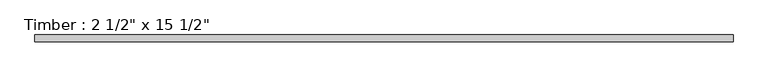
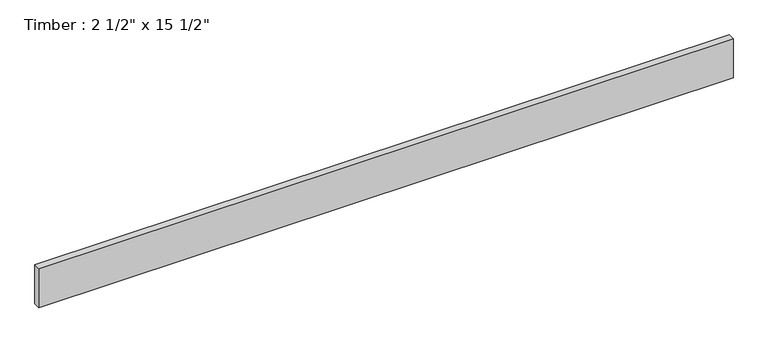
"""IFC4 building model written with IfcOpenShell, lengths in millimetres: beam geometry."""

import ifcopenshell
import ifcopenshell.guid

model = None  # the IFC model being written
_history = None  # IfcOwnerHistory: only IFC2X3 demands one
_inside = {}  # id of a spatial element -> (the spatial element, [elements in it])
_under = {}  # id of a project, library or spatial element -> (it, [spatial elements below it])
_declared = {}  # id of a project -> (the project, [libraries it declares])
_typed = {}  # id of a type object -> (the type object, [elements of that type])
_made_of = {}  # id of a material, layer set ... -> (it, [elements and type objects made of it])


def new_model(schema):
    """Start an empty IFC model of exactly this schema.

    Asked for "IFC4X3", IfcOpenShell would pick the latest addendum, in which some entities
    have other attributes; the version numbers below select the first issue.
    IFC2X3 requires an IfcOwnerHistory on every rooted entity: one is made here for all.
    """
    global model, _history
    if schema == "IFC4X3":
        model = ifcopenshell.file(schema_version=(4, 3, 0, 0))
    else:
        model = ifcopenshell.file(schema=schema)
    _inside.clear()
    _under.clear()
    _declared.clear()
    _typed.clear()
    _made_of.clear()
    _history = None
    if model.schema == "IFC2X3":
        org = make("IfcOrganization", Name="unknown")
        user = make(
            "IfcPersonAndOrganization",
            ThePerson=make("IfcPerson", FamilyName="unknown"),
            TheOrganization=org,
        )
        app = make(
            "IfcApplication",
            ApplicationDeveloper=org,
            Version="unknown",
            ApplicationFullName="unknown",
            ApplicationIdentifier="unknown",
        )
        _history = make(
            "IfcOwnerHistory",
            OwningUser=user,
            OwningApplication=app,
            ChangeAction="ADDED",
            CreationDate=0,
        )
    return model


def make(cls, **values):
    """One entity of the class cls with the attributes given. An attribute that is None is left unset."""
    return model.create_entity(
        cls, **{name: value for name, value in values.items() if value is not None}
    )


def rooted(cls, **values):
    """An entity with a GlobalId (a new one), such as an element, a storey or a relation."""
    return make(cls, GlobalId=ifcopenshell.guid.new(), OwnerHistory=_history, **values)


def si_unit(unit_type, name, prefix=None):
    """IfcSIUnit, for example si_unit("LENGTHUNIT", "METRE", prefix="MILLI")."""
    return make("IfcSIUnit", UnitType=unit_type, Prefix=prefix, Name=name)


def assignment(units):
    """IfcUnitAssignment: the units of a project."""
    return None if units is None else make("IfcUnitAssignment", Units=units)


def point(xyz):
    """IfcCartesianPoint."""
    return None if xyz is None else make("IfcCartesianPoint", Coordinates=xyz)


def direction(xyz):
    """IfcDirection."""
    return None if xyz is None else make("IfcDirection", DirectionRatios=xyz)


def frame(location, z_axis=None, x_axis=None):
    """IfcAxis2Placement3D, a coordinate frame: its origin and axes. An axis left out is left unset."""
    return make(
        "IfcAxis2Placement3D",
        Location=point(location),
        Axis=direction(z_axis),
        RefDirection=direction(x_axis),
    )


def origin():
    """The frame at (0, 0, 0) with its axes left unset."""
    return frame((0.0, 0.0, 0.0))


def place(relative_to, where):
    """IfcLocalPlacement: puts the frame where relative to a parent placement (None: the world)."""
    return make(
        "IfcLocalPlacement", PlacementRelTo=relative_to, RelativePlacement=where
    )


def context(
    kind, dimensions, precision=None, world=None, true_north=None, identifier=None
):
    """IfcGeometricRepresentationContext, for example the 3D "Model" context."""
    return make(
        "IfcGeometricRepresentationContext",
        ContextIdentifier=identifier,
        ContextType=kind,
        CoordinateSpaceDimension=dimensions,
        Precision=precision,
        WorldCoordinateSystem=world,
        TrueNorth=true_north,
    )


def project(units=None, contexts=None):
    """IfcProject with its units and contexts."""
    return rooted(
        "IfcProject",
        Name="project",
        RepresentationContexts=contexts,
        UnitsInContext=assignment(units),
    )


def spatial(cls, under=None, at=None, **own):
    """A site, building, storey or space (cls), placed at a placement, below another one or the project."""
    s = rooted(cls, ObjectPlacement=at, **own)
    if under is not None:
        _under.setdefault(under.id(), (under, []))[1].append(s)
    return s


def polyline(points):
    """IfcPolyline through the points."""
    return make("IfcPolyline", Points=[point(p) for p in points])


def outline(outer, holes=None, kind="AREA"):
    """IfcArbitraryClosedProfileDef: a profile drawn as a closed curve; with holes, ...WithVoids."""
    if holes is None:
        return make("IfcArbitraryClosedProfileDef", ProfileType=kind, OuterCurve=outer)
    return make(
        "IfcArbitraryProfileDefWithVoids",
        ProfileType=kind,
        OuterCurve=outer,
        InnerCurves=holes,
    )


def extrude(swept, where, along, depth):
    """IfcExtrudedAreaSolid: the profile swept, set in the frame where, extruded along a direction by depth."""
    return make(
        "IfcExtrudedAreaSolid",
        SweptArea=swept,
        Position=where,
        ExtrudedDirection=direction(along),
        Depth=depth,
    )


def shape(context_of_items, identifier, shape_type, items):
    """IfcShapeRepresentation: the items that make up one representation, for example the "Body"."""
    return make(
        "IfcShapeRepresentation",
        ContextOfItems=context_of_items,
        RepresentationIdentifier=identifier,
        RepresentationType=shape_type,
        Items=items,
    )


def source(mapping_origin, context_of_items, identifier, shape_type, items):
    """IfcRepresentationMap: a shape defined once, which mapped items show again and again."""
    return make(
        "IfcRepresentationMap",
        MappingOrigin=mapping_origin,
        MappedRepresentation=shape(context_of_items, identifier, shape_type, items),
    )


def transform(
    local_origin,
    x_axis=None,
    y_axis=None,
    z_axis=None,
    scale=None,
    scale2=None,
    scale3=None,
    uniform=True,
):
    """IfcCartesianTransformationOperator3D, or its non-uniform kind. x_axis, y_axis, z_axis: its Axis1, 2, 3."""
    if uniform:
        return make(
            "IfcCartesianTransformationOperator3D",
            Axis1=direction(x_axis),
            Axis2=direction(y_axis),
            LocalOrigin=point(local_origin),
            Scale=scale,
            Axis3=direction(z_axis),
        )
    return make(
        "IfcCartesianTransformationOperator3DnonUniform",
        Axis1=direction(x_axis),
        Axis2=direction(y_axis),
        LocalOrigin=point(local_origin),
        Scale=scale,
        Axis3=direction(z_axis),
        Scale2=scale2,
        Scale3=scale3,
    )


def mapped(mapping_source, mapping_target):
    """IfcMappedItem: shows the shape of a source again, moved by a transform."""
    return make(
        "IfcMappedItem", MappingSource=mapping_source, MappingTarget=mapping_target
    )


def made_of(thing, what):
    """Note that an element or type object is made of a material, layer set ...; save() writes the relation."""
    if what is not None:
        _made_of.setdefault(what.id(), (what, []))[1].append(thing)
    return thing


def element(
    cls,
    number,
    at=None,
    inside=None,
    cuts=None,
    type_object=None,
    material=None,
    context=None,
    identifier="Body",
    shape_type=None,
    held_by="IfcProductDefinitionShape",
    body=None,
    shapes=None,
    **own,
):
    """One element of the class cls, such as IfcWall. Its Tag is "e" and its number.

    at: its placement. inside: the storey or other place that contains it. cuts: it is an
    opening in that element (IfcRelVoidsElement). A single representation is given by context,
    identifier, shape_type and body (its items); several are given by shapes. held_by: the class
    of the entity that holds the representations. save() writes the other relations.
    """
    e = rooted(cls, Tag="e%d" % number, ObjectPlacement=at, **own)
    if body is not None:
        shapes = [shape(context, identifier, shape_type, body)]
    if shapes is not None:
        e.Representation = make(held_by, Representations=shapes)
    if inside is not None:
        _inside.setdefault(inside.id(), (inside, []))[1].append(e)
    if cuts is not None:
        rooted(
            "IfcRelVoidsElement", RelatingBuildingElement=cuts, RelatedOpeningElement=e
        )
    if type_object is not None:
        _typed.setdefault(type_object.id(), (type_object, []))[1].append(e)
    return made_of(e, material)


def aggregate(whole, parts):
    """IfcRelAggregates: a whole, such as a stair, and the parts it consists of."""
    return rooted("IfcRelAggregates", RelatingObject=whole, RelatedObjects=parts)


def save(model, path):
    """Write the relations noted so far, then the file.

    IfcRelAggregates (storeys below a building ...), IfcRelContainedInSpatialStructure (elements
    in a storey), IfcRelDefinesByType, IfcRelAssociatesMaterial and IfcRelDeclares: one each for
    every whole, place, type object, material and project.
    """
    for whole, parts in _under.values():
        aggregate(whole, parts)
    for where, things in _inside.values():
        rooted(
            "IfcRelContainedInSpatialStructure",
            RelatedElements=things,
            RelatingStructure=where,
        )
    for kind, things in _typed.values():
        rooted("IfcRelDefinesByType", RelatedObjects=things, RelatingType=kind)
    for what, things in _made_of.values():
        rooted("IfcRelAssociatesMaterial", RelatedObjects=things, RelatingMaterial=what)
    for by, libraries in _declared.values():
        rooted("IfcRelDeclares", RelatingContext=by, RelatedDefinitions=libraries)
    model.write(path)


def beam_3e006441(model_context):
    return source(origin(), model_context, "Body", "SweptSolid", [
        extrude(outline(polyline([(3315.9255821, 31.75), (3315.9255821, -31.75), (-3315.9255821, -31.75), (-3315.9255821, 31.75), (3315.9255821, 31.75)])), frame((0.0, 0.0, -196.85), z_axis=(0.0, 0.0, 1.0), x_axis=(1.0, 0.0, 0.0)), (0.0, 0.0, 1.0), 393.7),
    ])


if __name__ == "__main__":
    model = new_model("IFC4")
    model_context = context("Model", 3, world=origin())
    ifc_project = project(units=[si_unit("LENGTHUNIT", "METRE", prefix="MILLI")], contexts=[model_context])
    site = spatial("IfcSite", under=ifc_project)
    building = spatial("IfcBuilding", under=site)
    placement = place(None, origin())
    beam_shape = beam_3e006441(model_context)
    element("IfcBeam", 1, ObjectType="Timber : 2 1/2\" x 15 1/2\"", at=placement, inside=building, context=model_context, shape_type="MappedRepresentation", body=[
        mapped(beam_shape, transform((0.0, 0.0, 0.0), x_axis=(1.0, 0.0, 0.0), y_axis=(0.0, 1.0, 0.0), z_axis=(0.0, 0.0, 1.0))),
    ])
    save(model, "model.ifc")
